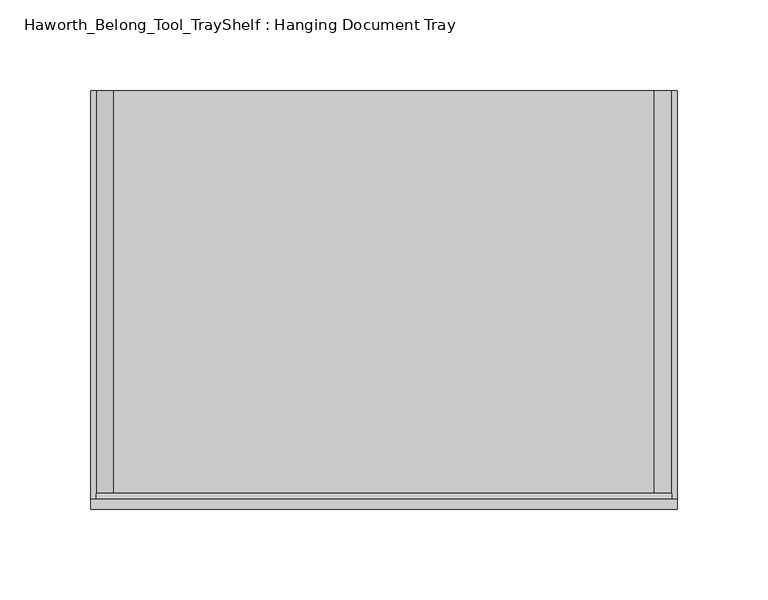
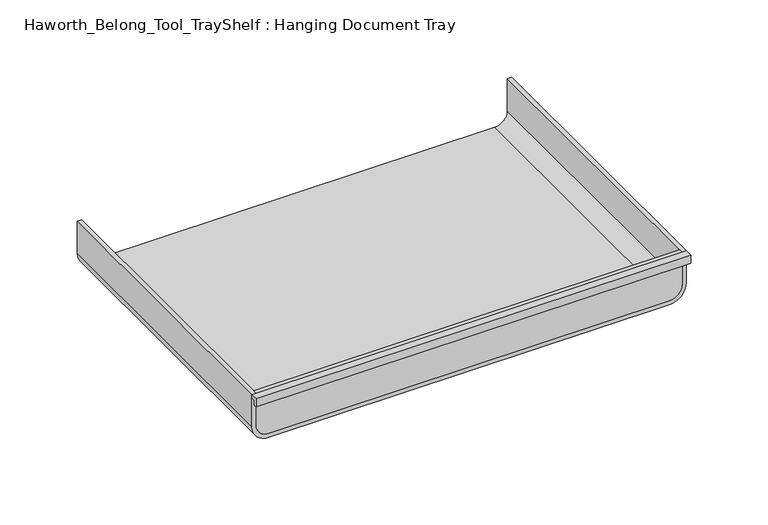
"""IFC4 building model written with IfcOpenShell, lengths in millimetres: furniture geometry, Haworth_Belong_Tool_TrayShelf : Hanging Document Tray."""

from ifc_helpers import new_model, si_unit, point, frame, frame_2d, origin, place, context, project, spatial, polyline, circle_curve, trimmed, segment, composite_curve, outline, extrude, source, transform, mapped, element, save


def haworth_belong_tool_trayshelf_hanging_document_tray_81856eff(model_context):
    return source(origin(), model_context, "Body", "SweptSolid", [
        extrude(outline(polyline([(-3.175, 35.71875), (-3.175, 31.75), (-5.55625, 31.75), (-5.55625, 38.1), (0.0, 38.1), (0.0, 35.71875), (-3.175, 35.71875)])), frame((3.175, 0.0, 0.0), z_axis=(1.0, 0.0, 0.0), x_axis=(0.0, 1.0, 0.0)), (0.0, 0.0, 1.0), 323.85),
        extrude(outline(composite_curve([segment(polyline([(38.1, 323.85), (38.1, 6.35), (12.7, 6.35)]), True, "CONTINUOUS"), segment(trimmed(circle_curve(frame_2d((12.7, 15.875)), 9.525), [point((12.7, 6.35))], [point((3.175, 15.875))], False, "CARTESIAN"), True, "CONTINUOUS"), segment(polyline([(3.175, 15.875), (3.175, 314.325)]), True, "CONTINUOUS"), segment(trimmed(circle_curve(frame_2d((12.7, 314.325)), 9.525), [point((3.175, 314.325))], [point((12.7, 323.85))], False, "CARTESIAN"), True, "CONTINUOUS"), segment(polyline([(12.7, 323.85), (38.1, 323.85)]), True, "CONTINUOUS")], self_intersect=False)), frame((0.0, 0.0, 0.0), z_axis=(0.0, 1.0, 0.0), x_axis=(0.0, 0.0, 1.0)), (0.0, 0.0, 1.0), 3.175),
        extrude(outline(composite_curve([segment(polyline([(38.1, 3.175), (12.7, 3.175)]), True, "CONTINUOUS"), segment(trimmed(circle_curve(frame_2d((12.7, 15.875)), 12.7), [point((12.7, 3.175))], [point((0.0, 15.875))], False, "CARTESIAN"), True, "CONTINUOUS"), segment(polyline([(0.0, 15.875), (0.0, 314.325)]), True, "CONTINUOUS"), segment(trimmed(circle_curve(frame_2d((12.7, 314.325)), 12.7), [point((0.0, 314.325))], [point((12.7, 327.025))], False, "CARTESIAN"), True, "CONTINUOUS"), segment(polyline([(12.7, 327.025), (38.1, 327.025), (38.1, 323.85), (12.7, 323.85)]), True, "CONTINUOUS"), segment(trimmed(circle_curve(frame_2d((12.7, 314.325)), 9.525), [point((12.7, 323.85))], [point((3.175, 314.325))], True, "CARTESIAN"), True, "CONTINUOUS"), segment(polyline([(3.175, 314.325), (3.175, 15.875)]), True, "CONTINUOUS"), segment(trimmed(circle_curve(frame_2d((12.7, 15.875)), 9.525), [point((3.175, 15.875))], [point((12.7, 6.35))], True, "CARTESIAN"), True, "CONTINUOUS"), segment(polyline([(12.7, 6.35), (38.1, 6.35), (38.1, 3.175)]), True, "CONTINUOUS")], self_intersect=False)), frame((0.0, 0.0, 0.0), z_axis=(0.0, 1.0, 0.0), x_axis=(0.0, 0.0, 1.0)), (0.0, 0.0, 1.0), 225.425),
    ])


if __name__ == "__main__":
    model = new_model("IFC4")
    model_context = context("Model", 3, world=origin())
    ifc_project = project(units=[si_unit("LENGTHUNIT", "METRE", prefix="MILLI")], contexts=[model_context])
    site = spatial("IfcSite", under=ifc_project)
    building = spatial("IfcBuilding", under=site)
    placement = place(None, origin())
    haworth_belong_tool_trayshelf_hanging_document_tray_shape = haworth_belong_tool_trayshelf_hanging_document_tray_81856eff(model_context)
    element("IfcFurniture", 1, ObjectType="Haworth_Belong_Tool_TrayShelf : Hanging Document Tray", at=placement, inside=building, context=model_context, shape_type="MappedRepresentation", body=[
        mapped(haworth_belong_tool_trayshelf_hanging_document_tray_shape, transform((0.0, 0.0, 0.0), x_axis=(1.0, 0.0, 0.0), y_axis=(0.0, 1.0, 0.0), z_axis=(0.0, 0.0, 1.0))),
    ])
    save(model, "model.ifc")
